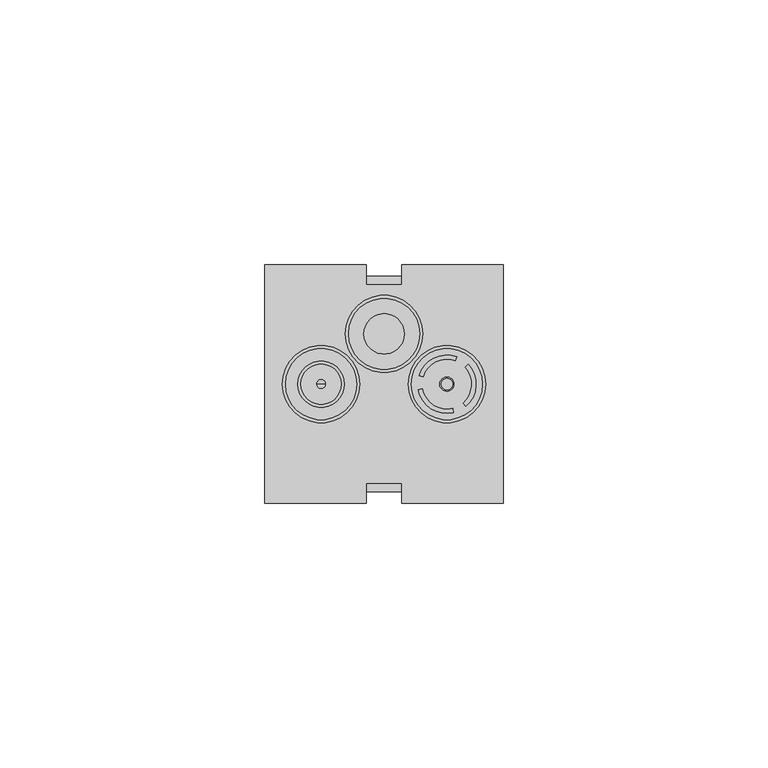
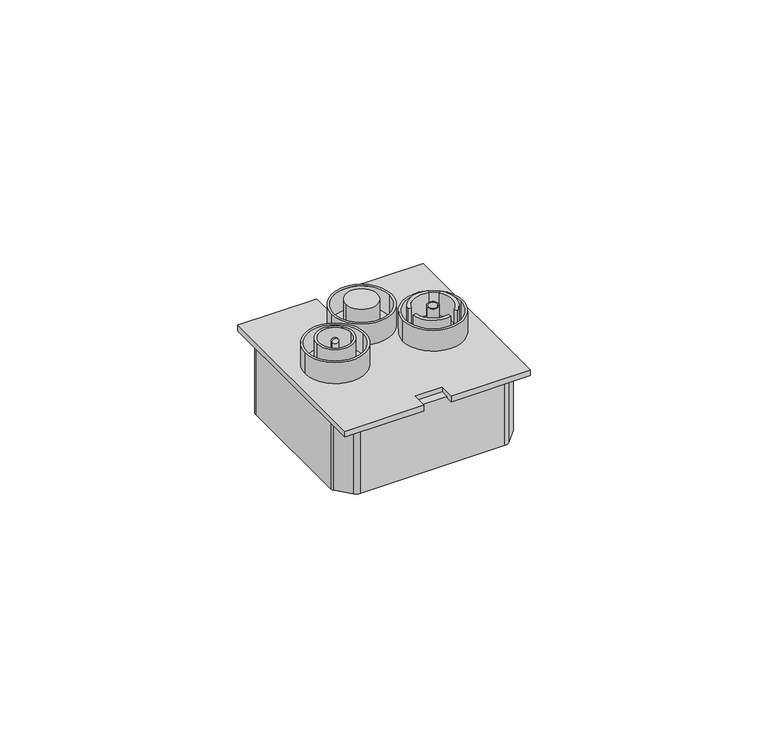
"""IFC4 building model written with IfcOpenShell, lengths in millimetres: proxy geometry."""

import ifcopenshell
import ifcopenshell.guid

model = None  # the IFC model being written
_history = None  # IfcOwnerHistory: only IFC2X3 demands one
_inside = {}  # id of a spatial element -> (the spatial element, [elements in it])
_under = {}  # id of a project, library or spatial element -> (it, [spatial elements below it])
_declared = {}  # id of a project -> (the project, [libraries it declares])
_typed = {}  # id of a type object -> (the type object, [elements of that type])
_made_of = {}  # id of a material, layer set ... -> (it, [elements and type objects made of it])


def new_model(schema):
    """Start an empty IFC model of exactly this schema.

    Asked for "IFC4X3", IfcOpenShell would pick the latest addendum, in which some entities
    have other attributes; the version numbers below select the first issue.
    IFC2X3 requires an IfcOwnerHistory on every rooted entity: one is made here for all.
    """
    global model, _history
    if schema == "IFC4X3":
        model = ifcopenshell.file(schema_version=(4, 3, 0, 0))
    else:
        model = ifcopenshell.file(schema=schema)
    _inside.clear()
    _under.clear()
    _declared.clear()
    _typed.clear()
    _made_of.clear()
    _history = None
    if model.schema == "IFC2X3":
        org = make("IfcOrganization", Name="unknown")
        user = make(
            "IfcPersonAndOrganization",
            ThePerson=make("IfcPerson", FamilyName="unknown"),
            TheOrganization=org,
        )
        app = make(
            "IfcApplication",
            ApplicationDeveloper=org,
            Version="unknown",
            ApplicationFullName="unknown",
            ApplicationIdentifier="unknown",
        )
        _history = make(
            "IfcOwnerHistory",
            OwningUser=user,
            OwningApplication=app,
            ChangeAction="ADDED",
            CreationDate=0,
        )
    return model


def make(cls, **values):
    """One entity of the class cls with the attributes given. An attribute that is None is left unset."""
    return model.create_entity(
        cls, **{name: value for name, value in values.items() if value is not None}
    )


def rooted(cls, **values):
    """An entity with a GlobalId (a new one), such as an element, a storey or a relation."""
    return make(cls, GlobalId=ifcopenshell.guid.new(), OwnerHistory=_history, **values)


def si_unit(unit_type, name, prefix=None):
    """IfcSIUnit, for example si_unit("LENGTHUNIT", "METRE", prefix="MILLI")."""
    return make("IfcSIUnit", UnitType=unit_type, Prefix=prefix, Name=name)


def assignment(units):
    """IfcUnitAssignment: the units of a project."""
    return None if units is None else make("IfcUnitAssignment", Units=units)


def point(xyz):
    """IfcCartesianPoint."""
    return None if xyz is None else make("IfcCartesianPoint", Coordinates=xyz)


def direction(xyz):
    """IfcDirection."""
    return None if xyz is None else make("IfcDirection", DirectionRatios=xyz)


def frame(location, z_axis=None, x_axis=None):
    """IfcAxis2Placement3D, a coordinate frame: its origin and axes. An axis left out is left unset."""
    return make(
        "IfcAxis2Placement3D",
        Location=point(location),
        Axis=direction(z_axis),
        RefDirection=direction(x_axis),
    )


def frame_2d(location, x_axis=None):
    """IfcAxis2Placement2D, a coordinate frame in the plane: its origin and x axis."""
    return make(
        "IfcAxis2Placement2D", Location=point(location), RefDirection=direction(x_axis)
    )


def origin():
    """The frame at (0, 0, 0) with its axes left unset."""
    return frame((0.0, 0.0, 0.0))


def origin_with_axes():
    """The frame at (0, 0, 0) with the z axis (0, 0, 1) and the x axis (1, 0, 0) written out."""
    return frame((0.0, 0.0, 0.0), z_axis=(0.0, 0.0, 1.0), x_axis=(1.0, 0.0, 0.0))


def place(relative_to, where):
    """IfcLocalPlacement: puts the frame where relative to a parent placement (None: the world)."""
    return make(
        "IfcLocalPlacement", PlacementRelTo=relative_to, RelativePlacement=where
    )


def context(
    kind, dimensions, precision=None, world=None, true_north=None, identifier=None
):
    """IfcGeometricRepresentationContext, for example the 3D "Model" context."""
    return make(
        "IfcGeometricRepresentationContext",
        ContextIdentifier=identifier,
        ContextType=kind,
        CoordinateSpaceDimension=dimensions,
        Precision=precision,
        WorldCoordinateSystem=world,
        TrueNorth=true_north,
    )


def project(units=None, contexts=None):
    """IfcProject with its units and contexts."""
    return rooted(
        "IfcProject",
        Name="project",
        RepresentationContexts=contexts,
        UnitsInContext=assignment(units),
    )


def spatial(cls, under=None, at=None, **own):
    """A site, building, storey or space (cls), placed at a placement, below another one or the project."""
    s = rooted(cls, ObjectPlacement=at, **own)
    if under is not None:
        _under.setdefault(under.id(), (under, []))[1].append(s)
    return s


def polyline(points):
    """IfcPolyline through the points."""
    return make("IfcPolyline", Points=[point(p) for p in points])


def circle_curve(where, radius):
    """IfcCircle in the frame where."""
    return make("IfcCircle", Position=where, Radius=radius)


def ellipse_curve(where, semi_axis1, semi_axis2):
    """IfcEllipse in the frame where."""
    return make(
        "IfcEllipse", Position=where, SemiAxis1=semi_axis1, SemiAxis2=semi_axis2
    )


def trimmed(basis, trim1, trim2, sense, master):
    """IfcTrimmedCurve: the piece of a basis curve between two trims."""
    return make(
        "IfcTrimmedCurve",
        BasisCurve=basis,
        Trim1=trim1,
        Trim2=trim2,
        SenseAgreement=sense,
        MasterRepresentation=master,
    )


def segment(curve, same_sense, transition):
    """IfcCompositeCurveSegment."""
    return make(
        "IfcCompositeCurveSegment",
        Transition=transition,
        SameSense=same_sense,
        ParentCurve=curve,
    )


def composite_curve(segments, self_intersect=None):
    """IfcCompositeCurve: segments joined end to end."""
    return make("IfcCompositeCurve", Segments=segments, SelfIntersect=self_intersect)


def outline(outer, holes=None, kind="AREA"):
    """IfcArbitraryClosedProfileDef: a profile drawn as a closed curve; with holes, ...WithVoids."""
    if holes is None:
        return make("IfcArbitraryClosedProfileDef", ProfileType=kind, OuterCurve=outer)
    return make(
        "IfcArbitraryProfileDefWithVoids",
        ProfileType=kind,
        OuterCurve=outer,
        InnerCurves=holes,
    )


def extrude(swept, where, along, depth):
    """IfcExtrudedAreaSolid: the profile swept, set in the frame where, extruded along a direction by depth."""
    return make(
        "IfcExtrudedAreaSolid",
        SweptArea=swept,
        Position=where,
        ExtrudedDirection=direction(along),
        Depth=depth,
    )


def shape(context_of_items, identifier, shape_type, items):
    """IfcShapeRepresentation: the items that make up one representation, for example the "Body"."""
    return make(
        "IfcShapeRepresentation",
        ContextOfItems=context_of_items,
        RepresentationIdentifier=identifier,
        RepresentationType=shape_type,
        Items=items,
    )


def source(mapping_origin, context_of_items, identifier, shape_type, items):
    """IfcRepresentationMap: a shape defined once, which mapped items show again and again."""
    return make(
        "IfcRepresentationMap",
        MappingOrigin=mapping_origin,
        MappedRepresentation=shape(context_of_items, identifier, shape_type, items),
    )


def transform(
    local_origin,
    x_axis=None,
    y_axis=None,
    z_axis=None,
    scale=None,
    scale2=None,
    scale3=None,
    uniform=True,
):
    """IfcCartesianTransformationOperator3D, or its non-uniform kind. x_axis, y_axis, z_axis: its Axis1, 2, 3."""
    if uniform:
        return make(
            "IfcCartesianTransformationOperator3D",
            Axis1=direction(x_axis),
            Axis2=direction(y_axis),
            LocalOrigin=point(local_origin),
            Scale=scale,
            Axis3=direction(z_axis),
        )
    return make(
        "IfcCartesianTransformationOperator3DnonUniform",
        Axis1=direction(x_axis),
        Axis2=direction(y_axis),
        LocalOrigin=point(local_origin),
        Scale=scale,
        Axis3=direction(z_axis),
        Scale2=scale2,
        Scale3=scale3,
    )


def mapped(mapping_source, mapping_target):
    """IfcMappedItem: shows the shape of a source again, moved by a transform."""
    return make(
        "IfcMappedItem", MappingSource=mapping_source, MappingTarget=mapping_target
    )


def made_of(thing, what):
    """Note that an element or type object is made of a material, layer set ...; save() writes the relation."""
    if what is not None:
        _made_of.setdefault(what.id(), (what, []))[1].append(thing)
    return thing


def element(
    cls,
    number,
    at=None,
    inside=None,
    cuts=None,
    type_object=None,
    material=None,
    context=None,
    identifier="Body",
    shape_type=None,
    held_by="IfcProductDefinitionShape",
    body=None,
    shapes=None,
    **own,
):
    """One element of the class cls, such as IfcWall. Its Tag is "e" and its number.

    at: its placement. inside: the storey or other place that contains it. cuts: it is an
    opening in that element (IfcRelVoidsElement). A single representation is given by context,
    identifier, shape_type and body (its items); several are given by shapes. held_by: the class
    of the entity that holds the representations. save() writes the other relations.
    """
    e = rooted(cls, Tag="e%d" % number, ObjectPlacement=at, **own)
    if body is not None:
        shapes = [shape(context, identifier, shape_type, body)]
    if shapes is not None:
        e.Representation = make(held_by, Representations=shapes)
    if inside is not None:
        _inside.setdefault(inside.id(), (inside, []))[1].append(e)
    if cuts is not None:
        rooted(
            "IfcRelVoidsElement", RelatingBuildingElement=cuts, RelatedOpeningElement=e
        )
    if type_object is not None:
        _typed.setdefault(type_object.id(), (type_object, []))[1].append(e)
    return made_of(e, material)


def aggregate(whole, parts):
    """IfcRelAggregates: a whole, such as a stair, and the parts it consists of."""
    return rooted("IfcRelAggregates", RelatingObject=whole, RelatedObjects=parts)


def save(model, path):
    """Write the relations noted so far, then the file.

    IfcRelAggregates (storeys below a building ...), IfcRelContainedInSpatialStructure (elements
    in a storey), IfcRelDefinesByType, IfcRelAssociatesMaterial and IfcRelDeclares: one each for
    every whole, place, type object, material and project.
    """
    for whole, parts in _under.values():
        aggregate(whole, parts)
    for where, things in _inside.values():
        rooted(
            "IfcRelContainedInSpatialStructure",
            RelatedElements=things,
            RelatingStructure=where,
        )
    for kind, things in _typed.values():
        rooted("IfcRelDefinesByType", RelatedObjects=things, RelatingType=kind)
    for what, things in _made_of.values():
        rooted("IfcRelAssociatesMaterial", RelatedObjects=things, RelatingMaterial=what)
    for by, libraries in _declared.values():
        rooted("IfcRelDeclares", RelatingContext=by, RelatedDefinitions=libraries)
    model.write(path)


def plane_surface(at):
    """IfcPlane: the flat surface through the origin of the frame at, square to its z axis."""
    return make("IfcPlane", Position=at)


def cylinder_surface(at, radius):
    """IfcCylindricalSurface: all points at the distance radius from the z axis of the frame at."""
    return make("IfcCylindricalSurface", Position=at, Radius=radius)


def revolved_surface(curve, axis_point, axis_direction):
    """IfcSurfaceOfRevolution: the curve turned about the line through axis_point along axis_direction."""
    return make(
        "IfcSurfaceOfRevolution",
        SweptCurve=make("IfcArbitraryOpenProfileDef", ProfileType="CURVE", Curve=curve),
        AxisPosition=make("IfcAxis1Placement", Location=point(axis_point), Axis=direction(axis_direction)),
    )


def advanced_brep(points, edges, surfaces, faces):
    """IfcAdvancedBrep: a solid bounded by faces that lie on surfaces and meet in shared edges.

    An edge is (start, end): straight between two places in points (the first is 0);
    or (start, end, curve); or (start, end, curve, False) where it runs against its curve.
    A face is (place in surfaces, loops), or (place, loops, False) where it looks against
    its surface's normal. A loop lists edges by number (the first is 1), with a minus sign
    where the edge is run from its end to its start. The first loop is the outer one.
    """
    corners = [point(p) for p in points]
    vertices = [make("IfcVertexPoint", VertexGeometry=c) for c in corners]
    made = []
    for start, end, *more in edges:
        made.append(
            make(
                "IfcEdgeCurve",
                EdgeStart=vertices[start],
                EdgeEnd=vertices[end],
                EdgeGeometry=more[0] if more else make("IfcPolyline", Points=[corners[start], corners[end]]),
                SameSense=more[1] if len(more) > 1 else True,
            )
        )
    hull = []
    for where, loops, *sense in faces:
        bounds = []
        for j, loop in enumerate(loops):
            ring = [make("IfcOrientedEdge", EdgeElement=made[abs(k) - 1], Orientation=k > 0) for k in loop]
            bounds.append(
                make(
                    "IfcFaceOuterBound" if j == 0 else "IfcFaceBound",
                    Bound=make("IfcEdgeLoop", EdgeList=ring),
                    Orientation=True,
                )
            )
        hull.append(make("IfcAdvancedFace", Bounds=bounds, FaceSurface=surfaces[where], SameSense=sense[0] if sense else True))
    return make("IfcAdvancedBrep", Outer=make("IfcClosedShell", CfsFaces=hull))


def electrical_fixtures_3fba281f(model_context):
    return source(origin(), model_context, "Body", "SolidModel", [
        extrude(outline(composite_curve([segment(polyline([(37.9601254, 18.2958867), (37.4380057, 18.9035468)]), True, "CONTINUOUS"), segment(trimmed(circle_curve(frame_2d((34.375, 22.4683745)), 4.7), [point((37.4380057, 18.9035468))], [point((37.8073576, 25.6791253))], True, "CARTESIAN"), True, "CONTINUOUS"), segment(polyline([(37.8073576, 25.6791253), (38.392437, 26.2264296)]), True, "CONTINUOUS"), segment(trimmed(circle_curve(frame_2d((34.375, 22.4683745)), 5.5011615), [point((38.392437, 26.2264296))], [point((37.9601254, 18.2958867))], False, "CARTESIAN"), True, "CONTINUOUS")], self_intersect=False)), frame((0.0, 0.0, 2.4329338), z_axis=(0.0, 0.0, 1.0), x_axis=(1.0, 0.0, 0.0)), (0.0, 0.0, 1.0), 5.7462248),
        extrude(outline(composite_curve([segment(polyline([(28.9689569, 21.4498087), (29.7562659, 21.5981475)]), True, "CONTINUOUS"), segment(trimmed(circle_curve(frame_2d((34.375, 22.4683745)), 4.7), [point((29.7562659, 21.5981475))], [point((35.439413, 17.8904901))], True, "CARTESIAN"), True, "CONTINUOUS"), segment(polyline([(35.439413, 17.8904901), (35.6208527, 17.1101444)]), True, "CONTINUOUS"), segment(trimmed(circle_curve(frame_2d((34.375, 22.4683745)), 5.5011615), [point((35.6208527, 17.1101444))], [point((28.9689569, 21.4498087))], False, "CARTESIAN"), True, "CONTINUOUS")], self_intersect=False)), frame((0.0, 0.0, 2.4329338), z_axis=(0.0, 0.0, 1.0), x_axis=(1.0, 0.0, 0.0)), (0.0, 0.0, 1.0), 5.7462248),
        extrude(outline(composite_curve([segment(polyline([(36.1959177, 27.659428), (35.9307284, 26.903429)]), True, "CONTINUOUS"), segment(trimmed(circle_curve(frame_2d((34.375, 22.4683745)), 4.7), [point((35.9307284, 26.903429))], [point((29.8782294, 23.8355079))], True, "CARTESIAN"), True, "CONTINUOUS"), segment(polyline([(29.8782294, 23.8355079), (29.1117103, 24.0685494)]), True, "CONTINUOUS"), segment(trimmed(circle_curve(frame_2d((34.375, 22.4683745)), 5.5011615), [point((29.1117103, 24.0685494))], [point((36.1959177, 27.659428))], False, "CARTESIAN"), True, "CONTINUOUS")], self_intersect=False)), frame((0.0, 0.0, 2.4329338), z_axis=(0.0, 0.0, 1.0), x_axis=(1.0, 0.0, 0.0)), (0.0, 0.0, 1.0), 5.7462248),
        extrude(outline(composite_curve([segment(trimmed(circle_curve(frame_2d((34.375, 22.4683745)), 1.3345425), [point((33.0404575, 22.4683745))], [point((35.7095425, 22.4683745))], False, "CARTESIAN"), True, "CONTINUOUS"), segment(trimmed(circle_curve(frame_2d((34.375, 22.4683745)), 1.3345425), [point((35.7095425, 22.4683745))], [point((33.0404575, 22.4683745))], False, "CARTESIAN"), True, "CONTINUOUS")], self_intersect=False), holes=[composite_curve([segment(trimmed(circle_curve(frame_2d((34.375, 22.4683745)), 1.085471), [point((33.289529, 22.4683745))], [point((35.460471, 22.4683745))], True, "CARTESIAN"), True, "CONTINUOUS"), segment(trimmed(circle_curve(frame_2d((34.375, 22.4683745)), 1.085471), [point((35.460471, 22.4683745))], [point((33.289529, 22.4683745))], True, "CARTESIAN"), True, "CONTINUOUS")], self_intersect=False)]), frame((0.0, 0.0, 2.4329338), z_axis=(0.0, 0.0, 1.0), x_axis=(1.0, 0.0, 0.0)), (0.0, 0.0, 1.0), 5.7462248),
        extrude(outline(composite_curve([segment(trimmed(circle_curve(frame_2d((34.375, 22.4683745)), 7.2919601), [point((27.0830399, 22.4683745))], [point((41.6669601, 22.4683745))], False, "CARTESIAN"), True, "CONTINUOUS"), segment(trimmed(circle_curve(frame_2d((34.375, 22.4683745)), 7.2919601), [point((41.6669601, 22.4683745))], [point((27.0830399, 22.4683745))], False, "CARTESIAN"), True, "CONTINUOUS")], self_intersect=False), holes=[composite_curve([segment(trimmed(circle_curve(frame_2d((34.375, 22.4683745)), 6.7130724), [point((27.6619276, 22.4683745))], [point((41.0880724, 22.4683745))], True, "CARTESIAN"), True, "CONTINUOUS"), segment(trimmed(circle_curve(frame_2d((34.375, 22.4683745)), 6.7130724), [point((41.0880724, 22.4683745))], [point((27.6619276, 22.4683745))], True, "CARTESIAN"), True, "CONTINUOUS")], self_intersect=False)]), frame((0.0, 0.0, 1.5), z_axis=(0.0, 0.0, 1.0), x_axis=(1.0, 0.0, 0.0)), (0.0, 0.0, 1.0), 5.3722979),
        advanced_brep(
        [(11.4566727, 22.5141105, 1.1865762), (9.7933273, 22.5141105, 1.1865762), (9.7933273, 22.5141105, 7.1614575), (11.4566727, 22.5141105, 7.1614575), (10.625, 22.5141105, 1.1865762), (10.625, 22.5141105, 7.9931303)],
        [
            (0, 1, circle_curve(frame((10.625, 22.5141105, 1.1865762), z_axis=(0.0, 0.0, 1.0), x_axis=(-1.0, 0.0, 0.0)), 0.8316727)),
            (1, 2),
            (2, 3, circle_curve(frame((10.625, 22.5141105, 7.1614575), z_axis=(0.0, 0.0, -1.0), x_axis=(-1.0, 0.0, 0.0)), 0.8316727)),
            (3, 0),
            (1, 0, circle_curve(frame((10.625, 22.5141105, 1.1865762), z_axis=(0.0, 0.0, 1.0), x_axis=(-1.0, 0.0, 0.0)), 0.8316727)),
            (3, 2, circle_curve(frame((10.625, 22.5141105, 7.1614575), z_axis=(0.0, 0.0, -1.0), x_axis=(-1.0, 0.0, 0.0)), 0.8316727)),
            (4, 1),
            (0, 4),
            (2, 5, circle_curve(frame((10.625, 22.5141105, 7.1614575), z_axis=(0.0, 1.0, 0.0), x_axis=(1.0, 0.0, 0.0)), 0.8316727)),
            (5, 3, circle_curve(frame((10.625, 22.5141105, 7.1614575), z_axis=(0.0, 1.0, 0.0), x_axis=(-1.0, 0.0, 0.0)), 0.8316727)),
        ],
        [
            cylinder_surface(frame((10.625, 22.5141105, 4.6646034), z_axis=(0.0, 0.0, -1.0), x_axis=(-1.0, 0.0, 0.0)), 0.8316727),
            plane_surface(frame((10.625, 22.5141105, 1.1865762), z_axis=(0.0, 0.0, -1.0), x_axis=(-1.0, 0.0, 0.0))),
            revolved_surface(trimmed(ellipse_curve(frame((10.625, 22.5141105, 7.1614575), z_axis=(0.0, -1.0, 0.0), x_axis=(1.0, 0.0, 0.0)), 0.8316727, 0.8316727), [point((10.625, 22.5141105, 7.9931303))], [point((9.7933273, 22.5141105, 7.1614575))], True, "CARTESIAN"), (10.625, 22.5141105, 4.6646034), (0.0, 0.0, -1.0)),
        ],
        [
            (0, [[1, 2, 3, 4]]),
            (0, [[5, -4, 6, -2]]),
            (1, [[7, -1, 8]]),
            (1, [[-8, -5, -7]]),
            (2, [[-3, 9, 10]]),
            (2, [[-6, -10, -9]]),
        ],
    ),
        extrude(outline(composite_curve([segment(trimmed(circle_curve(frame_2d((10.625, 22.4683745)), 4.3760044), [point((6.2489956, 22.4683745))], [point((15.0010044, 22.4683745))], False, "CARTESIAN"), True, "CONTINUOUS"), segment(trimmed(circle_curve(frame_2d((10.625, 22.4683745)), 4.3760044), [point((15.0010044, 22.4683745))], [point((6.2489956, 22.4683745))], False, "CARTESIAN"), True, "CONTINUOUS")], self_intersect=False), holes=[composite_curve([segment(trimmed(circle_curve(frame_2d((10.625, 22.4683745)), 3.8), [point((6.825, 22.4683745))], [point((14.425, 22.4683745))], True, "CARTESIAN"), True, "CONTINUOUS"), segment(trimmed(circle_curve(frame_2d((10.625, 22.4683745)), 3.8), [point((14.425, 22.4683745))], [point((6.825, 22.4683745))], True, "CARTESIAN"), True, "CONTINUOUS")], self_intersect=False)]), frame((0.0, 0.0, 2.4329338), z_axis=(0.0, 0.0, 1.0), x_axis=(1.0, 0.0, 0.0)), (0.0, 0.0, 1.0), 5.7462248),
        extrude(outline(composite_curve([segment(trimmed(circle_curve(frame_2d((10.625, 22.4683745)), 7.2919601), [point((3.3330399, 22.4683745))], [point((17.9169601, 22.4683745))], False, "CARTESIAN"), True, "CONTINUOUS"), segment(trimmed(circle_curve(frame_2d((10.625, 22.4683745)), 7.2919601), [point((17.9169601, 22.4683745))], [point((3.3330399, 22.4683745))], False, "CARTESIAN"), True, "CONTINUOUS")], self_intersect=False), holes=[composite_curve([segment(trimmed(circle_curve(frame_2d((10.625, 22.4683745)), 6.7130724), [point((3.9119276, 22.4683745))], [point((17.3380724, 22.4683745))], True, "CARTESIAN"), True, "CONTINUOUS"), segment(trimmed(circle_curve(frame_2d((10.625, 22.4683745)), 6.7130724), [point((17.3380724, 22.4683745))], [point((3.9119276, 22.4683745))], True, "CARTESIAN"), True, "CONTINUOUS")], self_intersect=False)]), frame((0.0, 0.0, 1.5), z_axis=(0.0, 0.0, 1.0), x_axis=(1.0, 0.0, 0.0)), (0.0, 0.0, 1.0), 5.3722979),
        extrude(outline(composite_curve([segment(trimmed(circle_curve(frame_2d((22.5240454, 31.960562)), 3.8), [point((18.7240454, 31.960562))], [point((26.3240454, 31.960562))], False, "CARTESIAN"), True, "CONTINUOUS"), segment(trimmed(circle_curve(frame_2d((22.5240454, 31.960562)), 3.8), [point((26.3240454, 31.960562))], [point((18.7240454, 31.960562))], False, "CARTESIAN"), True, "CONTINUOUS")], self_intersect=False)), frame((0.0, 0.0, 2.4329338), z_axis=(0.0, 0.0, 1.0), x_axis=(1.0, 0.0, 0.0)), (0.0, 0.0, 1.0), 5.7462248),
        extrude(outline(composite_curve([segment(trimmed(circle_curve(frame_2d((22.5240454, 31.960562)), 7.2919601), [point((15.2320853, 31.960562))], [point((29.8160055, 31.960562))], False, "CARTESIAN"), True, "CONTINUOUS"), segment(trimmed(circle_curve(frame_2d((22.5240454, 31.960562)), 7.2919601), [point((29.8160055, 31.960562))], [point((15.2320853, 31.960562))], False, "CARTESIAN"), True, "CONTINUOUS")], self_intersect=False), holes=[composite_curve([segment(trimmed(circle_curve(frame_2d((22.5240454, 31.960562)), 6.7130724), [point((15.810973, 31.960562))], [point((29.2371178, 31.960562))], True, "CARTESIAN"), True, "CONTINUOUS"), segment(trimmed(circle_curve(frame_2d((22.5240454, 31.960562)), 6.7130724), [point((29.2371178, 31.960562))], [point((15.810973, 31.960562))], True, "CARTESIAN"), True, "CONTINUOUS")], self_intersect=False)]), frame((0.0, 0.0, 1.5), z_axis=(0.0, 0.0, 1.0), x_axis=(1.0, 0.0, 0.0)), (0.0, 0.0, 1.0), 5.3722979),
        extrude(outline(composite_curve([segment(trimmed(circle_curve(frame_2d((22.9785709, 22.0163771)), 28.0250427), [point((0.6708855, 38.9801677))], [point((3.6496058, 42.3090883))], False, "CARTESIAN"), True, "CONTINUOUS"), segment(trimmed(circle_curve(frame_2d((5.0058625, 40.8852084)), 1.9664349), [point((3.6496058, 42.3090883))], [point((5.0058625, 42.8516432))], False, "CARTESIAN"), True, "CONTINUOUS"), segment(polyline([(5.0058625, 42.8516432), (39.9941375, 42.8516432)]), True, "CONTINUOUS"), segment(trimmed(circle_curve(frame_2d((39.9941375, 40.8852084)), 1.9664349), [point((39.9941375, 42.8516432))], [point((41.3503942, 42.3090883))], False, "CARTESIAN"), True, "CONTINUOUS"), segment(trimmed(circle_curve(frame_2d((22.0214291, 22.0163771)), 28.0250427), [point((41.3503942, 42.3090883))], [point((44.3291145, 38.9801677))], False, "CARTESIAN"), True, "CONTINUOUS"), segment(trimmed(circle_curve(frame_2d((43.3665201, 38.2481666)), 1.2093029), [point((44.3291145, 38.9801677))], [point((44.575823, 38.2481666))], False, "CARTESIAN"), True, "CONTINUOUS"), segment(polyline([(44.575823, 38.2481666), (44.575823, 6.7518334)]), True, "CONTINUOUS"), segment(trimmed(circle_curve(frame_2d((43.3665201, 6.7518334)), 1.2093029), [point((44.575823, 6.7518334))], [point((44.3291145, 6.0198323))], False, "CARTESIAN"), True, "CONTINUOUS"), segment(trimmed(circle_curve(frame_2d((22.0214291, 22.9836229)), 28.0250427), [point((44.3291145, 6.0198323))], [point((41.3503942, 2.6909117))], False, "CARTESIAN"), True, "CONTINUOUS"), segment(trimmed(circle_curve(frame_2d((39.9941375, 4.1147916)), 1.9664349), [point((41.3503942, 2.6909117))], [point((39.9941375, 2.1483568))], False, "CARTESIAN"), True, "CONTINUOUS"), segment(polyline([(39.9941375, 2.1483568), (5.0058625, 2.1483568)]), True, "CONTINUOUS"), segment(trimmed(circle_curve(frame_2d((5.0058625, 4.1147916)), 1.9664349), [point((5.0058625, 2.1483568))], [point((3.6496058, 2.6909117))], False, "CARTESIAN"), True, "CONTINUOUS"), segment(trimmed(circle_curve(frame_2d((22.9785709, 22.9836229)), 28.0250427), [point((3.6496058, 2.6909117))], [point((0.6708855, 6.0198323))], False, "CARTESIAN"), True, "CONTINUOUS"), segment(trimmed(circle_curve(frame_2d((1.6334799, 6.7518334)), 1.2093029), [point((0.6708855, 6.0198323))], [point((0.424177, 6.7518334))], False, "CARTESIAN"), True, "CONTINUOUS"), segment(polyline([(0.424177, 6.7518334), (0.424177, 38.2481666)]), True, "CONTINUOUS"), segment(trimmed(circle_curve(frame_2d((1.6334799, 38.2481666)), 1.2093029), [point((0.424177, 38.2481666))], [point((0.6708855, 38.9801677))], False, "CARTESIAN"), True, "CONTINUOUS")], self_intersect=False)), frame((0.0, 0.0, -17.5074078), z_axis=(0.0, 0.0, 1.0), x_axis=(1.0, 0.0, 0.0)), (0.0, 0.0, 1.0), 17.5074078),
        extrude(outline(polyline([(0.0, 0.0), (0.0, 45.0), (19.1631171, 45.0), (19.1631171, 41.2139641), (25.8368829, 41.2139641), (25.8368829, 45.0), (45.0, 45.0), (45.0, 0.0), (25.8368829, 0.0), (25.8368829, 3.7860359), (19.1631171, 3.7860359), (19.1631171, 0.0), (0.0, 0.0)])), origin_with_axes(), (0.0, 0.0, 1.0), 1.5),
    ])


if __name__ == "__main__":
    model = new_model("IFC4")
    model_context = context("Model", 3, world=origin())
    ifc_project = project(units=[si_unit("LENGTHUNIT", "METRE", prefix="MILLI")], contexts=[model_context])
    site = spatial("IfcSite", under=ifc_project)
    building = spatial("IfcBuilding", under=site)
    placement = place(None, origin())
    electrical_fixtures_shape = electrical_fixtures_3fba281f(model_context)
    element("IfcBuildingElementProxy", 1, Name="Electrical Fixtures", at=placement, inside=building, context=model_context, shape_type="MappedRepresentation", body=[
        mapped(electrical_fixtures_shape, transform((0.0, 0.0, 0.0), x_axis=(1.0, 0.0, 0.0), y_axis=(0.0, 1.0, 0.0), z_axis=(0.0, 0.0, 1.0))),
    ])
    save(model, "model.ifc")
